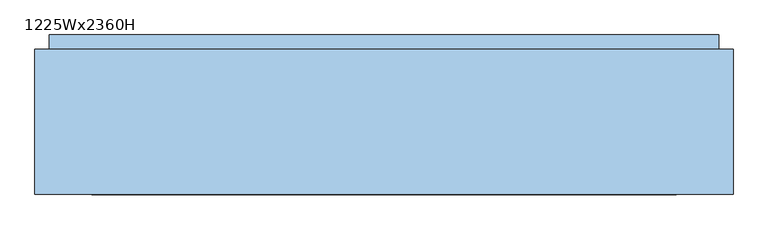
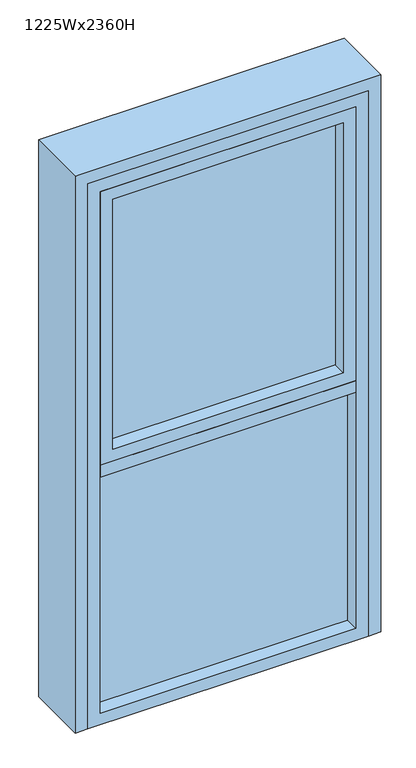
"""IFC4 building model written with IfcOpenShell, lengths in millimetres: window geometry, 1225Wx2360H."""

from ifc_helpers import new_model, si_unit, frame, origin, origin_with_axes, place, context, project, spatial, polyline, outline, extrude, faceted_brep, source, transform, mapped, element, save


def window_1225wx2360h_14a4a901(model_context):
    return source(origin(), model_context, "Body", "SolidModel", [
        extrude(outline(polyline([(0.0, 562.5), (2310.0, 562.5), (2310.0, -562.5), (0.0, -562.5), (0.0, 562.5)]), holes=[polyline([(2260.0, -512.5), (2260.0, 512.5), (50.0, 512.5), (50.0, -512.5), (2260.0, -512.5)])]), frame((0.0, -8.0, 0.0), z_axis=(0.0, 1.0, 0.0), x_axis=(0.0, 0.0, 1.0)), (0.0, 0.0, 1.0), 100.0),
        extrude(outline(polyline([(512.5, 67.0), (512.5, 49.0), (-512.5, 49.0), (-512.5, 67.0), (512.5, 67.0)])), frame((0.0, 0.0, 50.0), z_axis=(0.0, 0.0, 1.0), x_axis=(1.0, 0.0, 0.0)), (0.0, 0.0, 1.0), 1000.0),
        extrude(outline(polyline([(512.5, -8.0), (-512.5, -8.0), (-512.5, 92.0), (512.5, 92.0), (512.5, -8.0)])), frame((0.0, 0.0, 1050.0), z_axis=(0.0, 0.0, 1.0), x_axis=(1.0, 0.0, 0.0)), (0.0, 0.0, 1.0), 50.0),
        extrude(outline(polyline([(562.5, 92.0), (-562.5, 92.0), (-562.5, 272.0), (562.5, 272.0), (562.5, 92.0)])), origin_with_axes(), (0.0, 0.0, 1.0), 10.0),
        extrude(outline(polyline([(462.5, 67.0), (462.5, 49.0), (-462.5, 49.0), (-462.5, 67.0), (462.5, 67.0)])), frame((0.0, 0.0, 1150.0), z_axis=(0.0, 0.0, 1.0), x_axis=(1.0, 0.0, 0.0)), (0.0, 0.0, 1.0), 1060.0),
        extrude(outline(polyline([(2260.0, 512.5), (2260.0, -512.5), (1100.0, -512.5), (1100.0, 512.5), (2260.0, 512.5)]), holes=[polyline([(2210.0, 462.5), (1150.0, 462.5), (1150.0, -462.5), (2210.0, -462.5), (2210.0, 462.5)])]), frame((0.0, -8.0, 0.0), z_axis=(0.0, 1.0, 0.0), x_axis=(0.0, 0.0, 1.0)), (0.0, 0.0, 1.0), 100.0),
        faceted_brep([(-612.5, -8.0, 0.0), (-612.5, 247.0, 0.0), (-587.5, 247.0, 0.0), (-587.5, 272.0, 0.0), (-562.5, 272.0, 0.0), (-562.5, -8.0, 0.0), (562.5, -8.0, 0.0), (562.5, 272.0, 0.0), (587.5, 272.0, 0.0), (587.5, 247.0, 0.0), (612.5, 247.0, 0.0), (612.5, -8.0, 0.0), (-612.5, -8.0, 2360.0), (-612.5, 247.0, 2360.0), (-587.5, 247.0, 2335.0), (612.5, 247.0, 2360.0), (587.5, 247.0, 2335.0), (-587.5, 272.0, 2335.0), (587.5, 272.0, 2335.0), (562.5, 272.0, 2310.0), (-562.5, 272.0, 2310.0), (-562.5, -8.0, 2310.0), (562.5, -8.0, 2310.0), (612.5, -8.0, 2360.0)], [[[0, 1, 2, 3, 4, 5]], [[6, 7, 8, 9, 10, 11]], [[1, 0, 12, 13]], [[14, 2, 1, 13, 15, 10, 9, 16]], [[17, 3, 2, 14]], [[4, 3, 17, 18, 8, 7, 19, 20]], [[5, 4, 20, 21]], [[0, 5, 21, 22, 6, 11, 23, 12]], [[7, 6, 22, 19]], [[16, 9, 8, 18]], [[11, 10, 15, 23]], [[20, 19, 22, 21]], [[17, 14, 16, 18]], [[12, 23, 15, 13]]]),
    ])


if __name__ == "__main__":
    model = new_model("IFC4")
    model_context = context("Model", 3, world=origin())
    ifc_project = project(units=[si_unit("LENGTHUNIT", "METRE", prefix="MILLI")], contexts=[model_context])
    site = spatial("IfcSite", under=ifc_project)
    building = spatial("IfcBuilding", under=site)
    placement = place(None, origin())
    window_1225wx2360h_shape = window_1225wx2360h_14a4a901(model_context)
    element("IfcWindow", 1, ObjectType="1225Wx2360H", at=placement, inside=building, context=model_context, shape_type="MappedRepresentation", body=[
        mapped(window_1225wx2360h_shape, transform((0.0, 0.0, 0.0), x_axis=(1.0, 0.0, 0.0), y_axis=(0.0, 1.0, 0.0), z_axis=(0.0, 0.0, 1.0))),
    ])
    save(model, "model.ifc")
